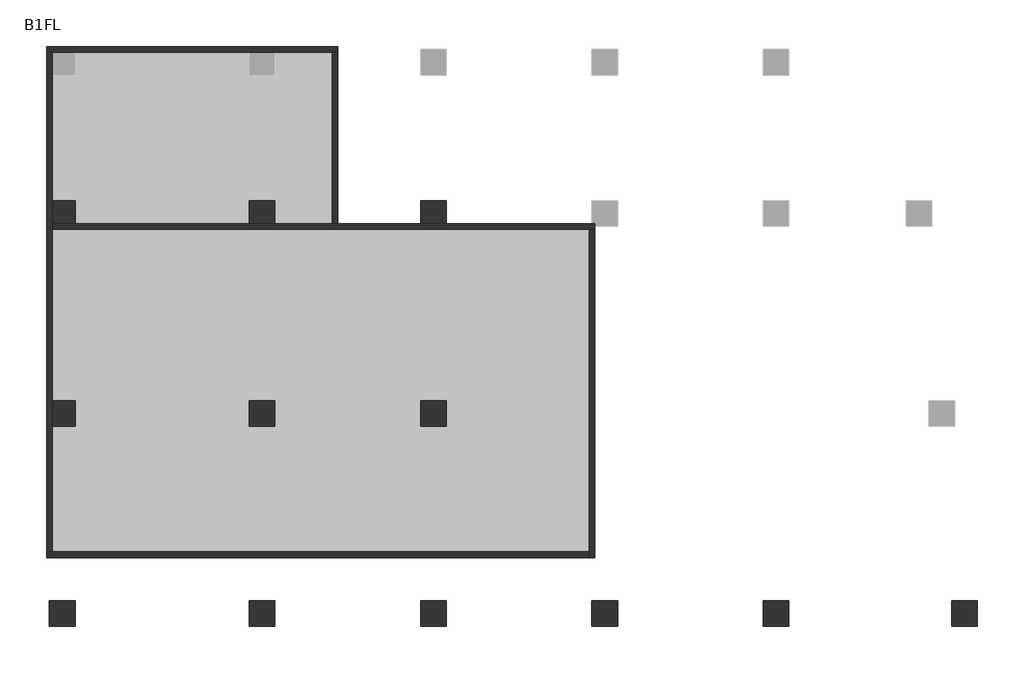
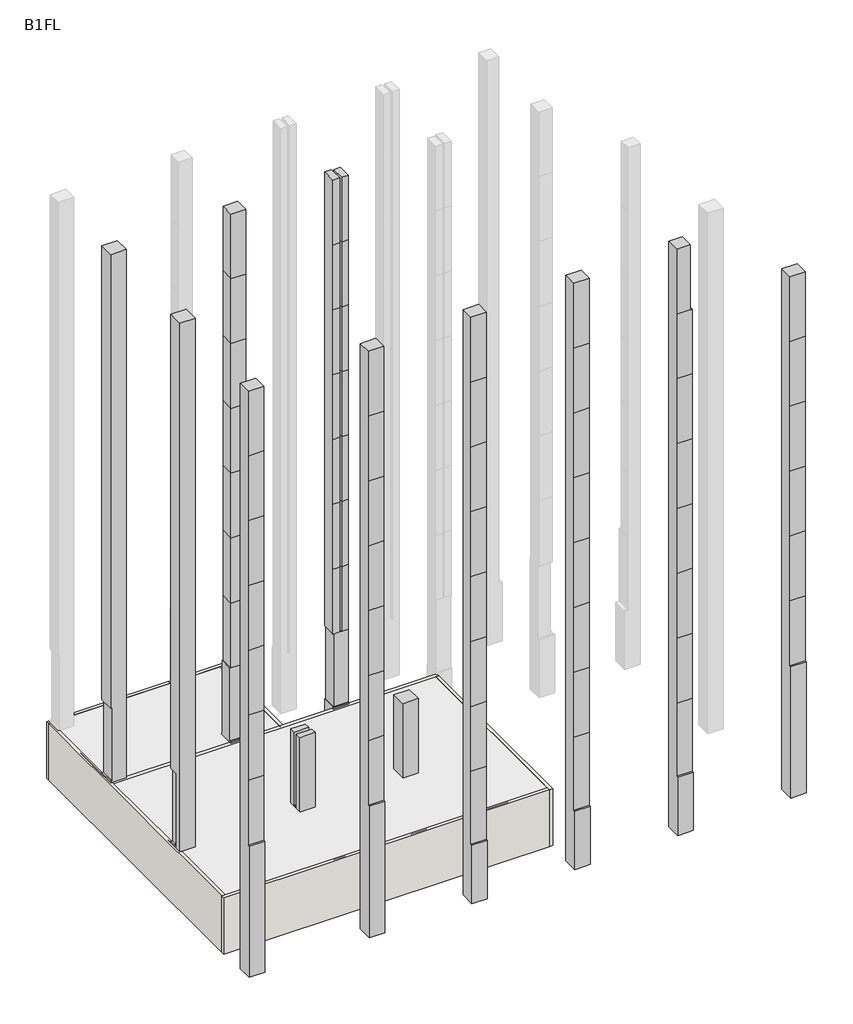
# One storey, part 1 of 2: 12 columns, 6 walls.
"""IFC4 building model written with IfcOpenShell, lengths in millimetres."""

from ifc_helpers import new_model, si_unit, frame, origin, place, context, project, spatial, polyline, outline, extrude, faceted_brep, element, save

model = new_model("IFC4")

# Units and contexts
model_context = context("Model", 3, world=origin())
ifc_project = project(units=[si_unit("LENGTHUNIT", "METRE", prefix="MILLI")], contexts=[model_context])

# Site, building, storey
site = spatial("IfcSite", under=ifc_project)
building = spatial("IfcBuilding", under=site)
storey = spatial("IfcBuildingStorey", under=building, Name="B1FL", Elevation=-3500.0)

# Columns
placement = place(None, origin())
element("IfcColumn", 1, ObjectType="900x900", at=placement, inside=storey, context=model_context, shape_type="Brep", body=[
    faceted_brep([(-27945.9784025, 10449.6868987, 32600.0), (-27945.9784025, 11349.6868987, 32600.0), (-28845.9784025, 11349.6868987, 32600.0), (-28845.9784025, 10449.6868987, 32600.0), (-28745.9784025, 11349.6868987, -3500.0), (-27945.9784025, 11349.6868987, -3500.0), (-27945.9784025, 10549.6868987, -3500.0), (-28745.9784025, 10549.6868987, -3500.0), (-27945.9784025, 10449.6868987, 0.0), (-27945.9784025, 10549.6868987, 0.0), (-27945.9784025, 11349.6868987, 100.0), (-27945.9784025, 11299.6868987, 100.0), (-27945.9784025, 11299.6868987, 4600.0), (-27945.9784025, 11349.6868987, 4600.0), (-28745.9784025, 11349.6868987, 4600.0), (-28845.9784025, 11349.6868987, 4600.0), (-28845.9784025, 10449.6868987, 4600.0), (-28745.9784025, 10449.6868987, 4600.0), (-28745.9784025, 10449.6868987, 100.0), (-28845.9784025, 10449.6868987, 100.0), (-28845.9784025, 10449.6868987, 0.0), (-28745.9784025, 10449.6868987, 0.0), (-28745.9784025, 11299.6868987, 4600.0), (-28745.9784025, 11299.6868987, 100.0), (-28745.9784025, 11349.6868987, 100.0), (-28845.9784025, 11349.6868987, 100.0), (-28845.9784025, 11349.6868987, 0.0), (-28845.9784025, 10549.6868987, 0.0), (-28745.9784025, 11349.6868987, 0.0), (-28745.9784025, 10549.6868987, 0.0)], [[[0, 1, 2, 3]], [[4, 5, 6, 7]], [[1, 0, 8, 9, 6, 5, 10, 11, 12, 13]], [[2, 1, 13, 14, 15]], [[3, 2, 15, 16]], [[0, 3, 16, 17, 18, 19, 20, 21, 8]], [[18, 17, 22, 23]], [[24, 25, 19, 18, 23]], [[15, 14, 22, 17, 16]], [[19, 25, 26, 27, 20]], [[11, 23, 22, 12]], [[23, 11, 10, 24]], [[12, 22, 14, 13]], [[25, 24, 10, 5, 4, 28, 26]], [[28, 4, 7, 29]], [[21, 20, 27, 26, 28, 29]], [[9, 29, 7, 6]], [[29, 9, 8, 21]]]),
])
element("IfcColumn", 2, ObjectType="900x900", at=placement, inside=storey, context=model_context, shape_type="Brep", body=[
    faceted_brep([(-27945.9784025, 3449.6868987, 32600.0), (-27945.9784025, 4349.6868987, 32600.0), (-28845.9784025, 4349.6868987, 32600.0), (-28845.9784025, 3449.6868987, 32600.0), (-27945.9784025, 4349.6868987, -3500.0), (-27945.9784025, 3449.6868987, -3500.0), (-28745.9784025, 3449.6868987, -3500.0), (-28745.9784025, 4349.6868987, -3500.0), (-27945.9784025, 3999.6868987, 4600.0), (-27945.9784025, 3999.6868987, 100.0), (-27945.9784025, 3799.6868987, 100.0), (-27945.9784025, 3799.6868987, 4600.0), (-28745.9784025, 4349.6868987, 0.0), (-28845.9784025, 4349.6868987, 0.0), (-28845.9784025, 4349.6868987, 100.0), (-28745.9784025, 4349.6868987, 100.0), (-28745.9784025, 4349.6868987, 4600.0), (-28845.9784025, 4349.6868987, 4600.0), (-28845.9784025, 3999.6868987, 4600.0), (-28845.9784025, 3799.6868987, 4600.0), (-28845.9784025, 3799.6868987, 100.0), (-28845.9784025, 3999.6868987, 100.0), (-28845.9784025, 3449.6868987, 0.0), (-28745.9784025, 3449.6868987, 0.0), (-28745.9784025, 3999.6868987, 4600.0), (-28745.9784025, 3999.6868987, 100.0)], [[[0, 1, 2, 3]], [[4, 5, 6, 7]], [[1, 0, 5, 4], [8, 9, 10, 11]], [[2, 1, 4, 7, 12, 13, 14, 15, 16, 17]], [[3, 2, 17, 18, 19, 20, 21, 14, 13, 22]], [[0, 3, 22, 23, 6, 5]], [[9, 8, 24, 25]], [[11, 10, 20, 19]], [[10, 9, 25, 21, 20]], [[8, 11, 19, 18, 24]], [[24, 16, 15, 25]], [[25, 15, 14, 21]], [[16, 24, 18, 17]], [[23, 12, 7, 6]], [[12, 23, 22, 13]]]),
])
element("IfcColumn", 3, ObjectType="900x900", at=placement, inside=storey, context=model_context, shape_type="SweptSolid", body=[
    extrude(outline(polyline([(-2650.3131013, -3500.0), (-3550.3131013, -3500.0), (-3550.3131013, 4600.0), (-3450.3131013, 4600.0), (-3450.3131013, 8600.0), (-3450.3131013, 12600.0), (-3450.3131013, 16600.0), (-3450.3131013, 20600.0), (-3450.3131013, 24600.0), (-3450.3131013, 28600.0), (-3450.3131013, 32600.0), (-2650.3131013, 32600.0), (-2650.3131013, -3500.0)])), frame((-28845.9784025, 0.0, 0.0), z_axis=(1.0, 0.0, 0.0), x_axis=(0.0, 1.0, 0.0)), (0.0, 0.0, 1.0), 900.0),
])
element("IfcColumn", 4, ObjectType="900x900", at=placement, inside=storey, context=model_context, shape_type="Brep", body=[
    faceted_brep([(-21795.9784025, 11299.6868987, 32600.0), (-21795.9784025, 10499.6868987, 32600.0), (-20945.9784025, 10499.6868987, 32600.0), (-20945.9784025, 11299.6868987, 32600.0), (-21845.9784025, 11349.6868987, -3500.0), (-20945.9784025, 11349.6868987, -3500.0), (-20945.9784025, 10549.6868987, -3500.0), (-21845.9784025, 10549.6868987, -3500.0), (-20945.9784025, 10499.6868987, 12600.0), (-20945.9784025, 10499.6868987, 8600.0), (-20945.9784025, 10499.6868987, 4600.0), (-20945.9784025, 10524.6868987, 4600.0), (-20945.9784025, 11299.6868987, 4600.0), (-20945.9784025, 11299.6868987, 8600.0), (-20945.9784025, 11299.6868987, 12600.0), (-20945.9784025, 11299.6868987, 16600.0), (-20945.9784025, 11299.6868987, 20600.0), (-20945.9784025, 11299.6868987, 24600.0), (-20945.9784025, 11299.6868987, 28600.0), (-20945.9784025, 10499.6868987, 28600.0), (-20945.9784025, 10499.6868987, 24600.0), (-20945.9784025, 10499.6868987, 20600.0), (-20945.9784025, 10499.6868987, 16600.0), (-21795.9784025, 10499.6868987, 12600.0), (-21795.9784025, 10499.6868987, 8600.0), (-20945.9784025, 10449.6868987, 100.0), (-21845.9784025, 10449.6868987, 100.0), (-21845.9784025, 10449.6868987, 0.0), (-20945.9784025, 10449.6868987, 0.0), (-21795.9784025, 11299.6868987, 12600.0), (-21795.9784025, 11299.6868987, 8600.0), (-21845.9784025, 10524.6868987, 100.0), (-21845.9784025, 10524.6868987, 4600.0), (-21845.9784025, 11299.6868987, 4600.0), (-21845.9784025, 11299.6868987, 100.0), (-21845.9784025, 11349.6868987, 100.0), (-21845.9784025, 10549.6868987, 0.0), (-20945.9784025, 11349.6868987, 100.0), (-21795.9784025, 10499.6868987, 4600.0), (-21795.9784025, 11299.6868987, 4600.0), (-21795.9784025, 10524.6868987, 4600.0), (-20995.9784025, 11299.6868987, 4600.0), (-21795.9784025, 10499.6868987, 16600.0), (-21795.9784025, 11299.6868987, 16600.0), (-21795.9784025, 10499.6868987, 20600.0), (-21795.9784025, 11299.6868987, 20600.0), (-21795.9784025, 10499.6868987, 24600.0), (-21795.9784025, 11299.6868987, 24600.0), (-21795.9784025, 10499.6868987, 28600.0), (-21795.9784025, 11299.6868987, 28600.0), (-20995.9784025, 10524.6868987, 100.0), (-20995.9784025, 10524.6868987, 4600.0), (-20945.9784025, 10524.6868987, 100.0), (-20995.9784025, 11299.6868987, 100.0), (-20945.9784025, 11299.6868987, 100.0), (-20945.9784025, 10549.6868987, 0.0)], [[[0, 1, 2, 3]], [[4, 5, 6, 7]], [[8, 9, 10, 11, 12, 13, 14, 15, 16, 17, 18, 3, 2, 19, 20, 21, 22]], [[9, 8, 23, 24]], [[25, 26, 27, 28]], [[24, 23, 29, 30]], [[31, 32, 33, 34, 35, 4, 7, 36, 27, 26]], [[14, 13, 30, 29]], [[5, 4, 35, 37]], [[10, 9, 24, 38]], [[24, 30, 39, 40, 38]], [[40, 39, 33, 32]], [[13, 12, 41, 39, 30]], [[8, 22, 42, 23]], [[29, 23, 42, 43]], [[15, 14, 29, 43]], [[22, 21, 44, 42]], [[43, 42, 44, 45]], [[16, 15, 43, 45]], [[21, 20, 46, 44]], [[45, 44, 46, 47]], [[17, 16, 45, 47]], [[20, 19, 48, 46]], [[47, 46, 48, 49]], [[18, 17, 47, 49]], [[49, 48, 1, 0]], [[0, 3, 18, 49]], [[2, 1, 48, 19]], [[32, 31, 50, 51, 40]], [[25, 52, 50, 31, 26]], [[11, 10, 38, 40, 51]], [[34, 33, 39, 41, 53]], [[54, 37, 35, 34, 53]], [[50, 53, 41, 51]], [[53, 50, 52, 54]], [[51, 41, 12, 11]], [[52, 25, 28, 55, 6, 5, 37, 54]], [[55, 36, 7, 6]], [[36, 55, 28, 27]]]),
])
element("IfcColumn", 5, ObjectType="900x900", at=placement, inside=storey, context=model_context, shape_type="Brep", body=[
    faceted_brep([(-21845.9784025, 3449.6868987, 4600.0), (-20945.9784025, 3449.6868987, 4600.0), (-20945.9784025, 3799.6868987, 4600.0), (-21845.9784025, 3799.6868987, 4600.0), (-20945.9784025, 3449.6868987, -3500.0), (-21845.9784025, 3449.6868987, -3500.0), (-21845.9784025, 4349.6868987, -3500.0), (-20945.9784025, 4349.6868987, -3500.0), (-20945.9784025, 4349.6868987, 100.0), (-20945.9784025, 3999.6868987, 100.0), (-20945.9784025, 3799.6868987, 100.0), (-21845.9784025, 4349.6868987, 4600.0), (-21020.9784025, 4349.6868987, 4600.0), (-21020.9784025, 4349.6868987, 100.0), (-21845.9784025, 3799.6868987, 100.0), (-21845.9784025, 3999.6868987, 100.0), (-21845.9784025, 3999.6868987, 4600.0), (-21020.9784025, 3999.6868987, 100.0), (-21020.9784025, 3999.6868987, 4600.0)], [[[0, 1, 2, 3]], [[4, 5, 6, 7]], [[4, 7, 8, 9, 10, 2, 1]], [[7, 6, 11, 12, 13, 8]], [[6, 5, 0, 3, 14, 15, 16, 11]], [[1, 0, 5, 4]], [[16, 15, 17, 18]], [[3, 2, 10, 14]], [[10, 9, 17, 15, 14]], [[11, 16, 18, 12]], [[17, 13, 12, 18]], [[13, 17, 9, 8]]]),
])
element("IfcColumn", 6, ObjectType="900x900", at=placement, inside=storey, context=model_context, shape_type="SweptSolid", body=[
    extrude(outline(polyline([(-2650.3131013, -3500.0), (-3550.3131013, -3500.0), (-3550.3131013, 4600.0), (-3450.3131013, 4600.0), (-3450.3131013, 8600.0), (-3450.3131013, 12600.0), (-3450.3131013, 16600.0), (-3450.3131013, 20600.0), (-3450.3131013, 24600.0), (-3450.3131013, 28600.0), (-3450.3131013, 32600.0), (-2650.3131013, 32600.0), (-2650.3131013, -3500.0)])), frame((-21845.9784025, 0.0, 0.0), z_axis=(1.0, 0.0, 0.0), x_axis=(0.0, 1.0, 0.0)), (0.0, 0.0, 1.0), 900.0),
])
element("IfcColumn", 7, ObjectType="900x900", at=placement, inside=storey, context=model_context, shape_type="Brep", body=[
    faceted_brep([(-15345.9784025, 11299.6868987, 32600.0), (-15345.9784025, 10499.6868987, 32600.0), (-14945.9784025, 10499.6868987, 32600.0), (-14945.9784025, 11299.6868987, 32600.0), (-15845.9784025, 11349.6868987, -3500.0), (-14945.9784025, 11349.6868987, -3500.0), (-14945.9784025, 10549.6868987, -3500.0), (-15845.9784025, 10549.6868987, -3500.0), (-14945.9784025, 10499.6868987, 12600.0), (-14945.9784025, 10499.6868987, 8600.0), (-14945.9784025, 10499.6868987, 4600.0), (-14945.9784025, 10524.6868987, 4600.0), (-14945.9784025, 10524.6868987, 100.0), (-14945.9784025, 10449.6868987, 100.0), (-14945.9784025, 10449.6868987, 0.0), (-14945.9784025, 10549.6868987, 0.0), (-14945.9784025, 11349.6868987, 100.0), (-14945.9784025, 11299.6868987, 100.0), (-14945.9784025, 11299.6868987, 4600.0), (-14945.9784025, 11299.6868987, 8600.0), (-14945.9784025, 11299.6868987, 12600.0), (-14945.9784025, 11299.6868987, 16600.0), (-14945.9784025, 11299.6868987, 20600.0), (-14945.9784025, 11299.6868987, 24600.0), (-14945.9784025, 11299.6868987, 28600.0), (-14945.9784025, 10499.6868987, 28600.0), (-14945.9784025, 10499.6868987, 24600.0), (-14945.9784025, 10499.6868987, 20600.0), (-14945.9784025, 10499.6868987, 16600.0), (-15845.9784025, 10499.6868987, 8600.0), (-15845.9784025, 10499.6868987, 12600.0), (-15845.9784025, 10499.6868987, 16600.0), (-15845.9784025, 10499.6868987, 20600.0), (-15845.9784025, 10499.6868987, 24600.0), (-15845.9784025, 10499.6868987, 28600.0), (-15845.9784025, 10499.6868987, 32600.0), (-15845.9784025, 11349.6868987, 32600.0), (-15845.9784025, 11349.6868987, 4600.0), (-15845.9784025, 11299.6868987, 4600.0), (-15845.9784025, 10524.6868987, 4600.0), (-15845.9784025, 10499.6868987, 4600.0), (-15345.9784025, 10499.6868987, 12600.0), (-15345.9784025, 10499.6868987, 8600.0), (-15845.9784025, 10449.6868987, 100.0), (-15845.9784025, 10449.6868987, 0.0), (-15345.9784025, 11299.6868987, 12600.0), (-15345.9784025, 11299.6868987, 8600.0), (-15445.9784025, 11349.6868987, 8600.0), (-15445.9784025, 11349.6868987, 12600.0), (-15445.9784025, 10499.6868987, 12600.0), (-15445.9784025, 10499.6868987, 8600.0), (-15345.9784025, 10499.6868987, 4600.0), (-15345.9784025, 11299.6868987, 4600.0), (-15345.9784025, 10524.6868987, 4600.0), (-15445.9784025, 11349.6868987, 4600.0), (-15445.9784025, 10499.6868987, 4600.0), (-15445.9784025, 10524.6868987, 4600.0), (-15445.9784025, 11299.6868987, 4600.0), (-15345.9784025, 10499.6868987, 16600.0), (-15345.9784025, 11299.6868987, 16600.0), (-15445.9784025, 11349.6868987, 16600.0), (-15445.9784025, 10499.6868987, 16600.0), (-15345.9784025, 10499.6868987, 20600.0), (-15345.9784025, 11299.6868987, 20600.0), (-15445.9784025, 11349.6868987, 20600.0), (-15445.9784025, 10499.6868987, 20600.0), (-15345.9784025, 10499.6868987, 24600.0), (-15345.9784025, 11299.6868987, 24600.0), (-15445.9784025, 11349.6868987, 24600.0), (-15445.9784025, 10499.6868987, 24600.0), (-15345.9784025, 10499.6868987, 28600.0), (-15345.9784025, 11299.6868987, 28600.0), (-15445.9784025, 11349.6868987, 28600.0), (-15445.9784025, 10499.6868987, 28600.0), (-15445.9784025, 11349.6868987, 32600.0), (-15445.9784025, 10499.6868987, 32600.0), (-15795.9784025, 10524.6868987, 4600.0), (-15795.9784025, 10524.6868987, 100.0), (-15845.9784025, 10524.6868987, 100.0), (-15795.9784025, 11299.6868987, 4600.0), (-15795.9784025, 11299.6868987, 100.0), (-15845.9784025, 11299.6868987, 100.0), (-15845.9784025, 11349.6868987, 100.0), (-15845.9784025, 10549.6868987, 0.0)], [[[0, 1, 2, 3]], [[4, 5, 6, 7]], [[8, 9, 10, 11, 12, 13, 14, 15, 6, 5, 16, 17, 18, 19, 20, 21, 22, 23, 24, 3, 2, 25, 26, 27, 28]], [[29, 30, 31, 32, 33, 34, 35, 36, 37, 38, 39, 40]], [[9, 8, 41, 42]], [[13, 43, 44, 14]], [[42, 41, 45, 46]], [[47, 48, 49, 50]], [[30, 29, 50, 49]], [[20, 19, 46, 45]], [[10, 9, 42, 51]], [[42, 46, 52, 53, 51]], [[54, 47, 50, 55, 56, 57]], [[53, 52, 57, 56]], [[29, 40, 55, 50]], [[19, 18, 52, 46]], [[8, 28, 58, 41]], [[45, 41, 58, 59]], [[48, 60, 61, 49]], [[31, 30, 49, 61]], [[21, 20, 45, 59]], [[28, 27, 62, 58]], [[59, 58, 62, 63]], [[60, 64, 65, 61]], [[32, 31, 61, 65]], [[22, 21, 59, 63]], [[27, 26, 66, 62]], [[63, 62, 66, 67]], [[64, 68, 69, 65]], [[33, 32, 65, 69]], [[23, 22, 63, 67]], [[26, 25, 70, 66]], [[67, 66, 70, 71]], [[68, 72, 73, 69]], [[34, 33, 69, 73]], [[24, 23, 67, 71]], [[71, 70, 1, 0]], [[74, 75, 73, 72]], [[48, 47, 54, 37, 36, 74, 72, 68, 64, 60]], [[0, 3, 24, 71]], [[2, 1, 70, 25]], [[74, 36, 35, 75]], [[75, 35, 34, 73]], [[11, 53, 56, 76, 77, 12]], [[13, 12, 77, 78, 43]], [[40, 39, 76, 56, 55]], [[53, 11, 10, 51]], [[76, 79, 80, 77]], [[77, 80, 81, 78]], [[79, 76, 39, 38]], [[79, 57, 52, 18, 17, 80]], [[80, 17, 16, 82, 81]], [[57, 79, 38, 37, 54]], [[43, 78, 81, 82, 4, 7, 83, 44]], [[5, 4, 82, 16]], [[15, 83, 7, 6]], [[83, 15, 14, 44]]]),
])
element("IfcColumn", 8, ObjectType="900x900", at=placement, inside=storey, context=model_context, shape_type="SweptSolid", body=[
    extrude(outline(polyline([(-14945.9784025, 3449.6868987), (-15845.9784025, 3449.6868987), (-15845.9784025, 4349.6868987), (-14945.9784025, 4349.6868987), (-14945.9784025, 3449.6868987)])), frame((0.0, 0.0, -3500.0), z_axis=(0.0, 0.0, 1.0), x_axis=(1.0, 0.0, 0.0)), (0.0, 0.0, 1.0), 8100.0),
])
element("IfcColumn", 9, ObjectType="900x900", at=placement, inside=storey, context=model_context, shape_type="SweptSolid", body=[
    extrude(outline(polyline([(-2650.3131013, -3500.0), (-3550.3131013, -3500.0), (-3550.3131013, 100.0), (-3450.3131013, 100.0), (-3450.3131013, 4600.0), (-3450.3131013, 8600.0), (-3450.3131013, 12600.0), (-3450.3131013, 16600.0), (-3450.3131013, 20600.0), (-3450.3131013, 24600.0), (-3450.3131013, 28600.0), (-3450.3131013, 32600.0), (-2650.3131013, 32600.0), (-2650.3131013, -3500.0)])), frame((-15845.9784025, 0.0, 0.0), z_axis=(1.0, 0.0, 0.0), x_axis=(0.0, 1.0, 0.0)), (0.0, 0.0, 1.0), 900.0),
])
element("IfcColumn", 10, ObjectType="900x900", at=placement, inside=storey, context=model_context, shape_type="SweptSolid", body=[
    extrude(outline(polyline([(-2650.3131013, -3500.0), (-3550.3131013, -3500.0), (-3550.3131013, 100.0), (-3450.3131013, 100.0), (-3450.3131013, 4600.0), (-3450.3131013, 8600.0), (-3450.3131013, 12600.0), (-3450.3131013, 16600.0), (-3450.3131013, 20600.0), (-3450.3131013, 24600.0), (-3450.3131013, 28600.0), (-3450.3131013, 32600.0), (-2650.3131013, 32600.0), (-2650.3131013, -3500.0)])), frame((-9845.9784025, 0.0, 0.0), z_axis=(1.0, 0.0, 0.0), x_axis=(0.0, 1.0, 0.0)), (0.0, 0.0, 1.0), 900.0),
])
element("IfcColumn", 11, ObjectType="900x900", at=placement, inside=storey, context=model_context, shape_type="Brep", body=[
    faceted_brep([(-3845.9784025, -2650.3131013, 32600.0), (-3845.9784025, -3450.3131013, 32600.0), (-3045.9784025, -3450.3131013, 32600.0), (-3045.9784025, -2650.3131013, 32600.0), (-2945.9784025, -3550.3131013, -3500.0), (-3845.9784025, -3550.3131013, -3500.0), (-3845.9784025, -2650.3131013, -3500.0), (-2945.9784025, -2650.3131013, -3500.0), (-2945.9784025, -2650.3131013, 28600.0), (-2945.9784025, -3450.3131013, 28600.0), (-2945.9784025, -3450.3131013, 24600.0), (-2945.9784025, -3450.3131013, 20600.0), (-2945.9784025, -3450.3131013, 16600.0), (-2945.9784025, -3450.3131013, 12600.0), (-2945.9784025, -3450.3131013, 8600.0), (-2945.9784025, -3450.3131013, 4600.0), (-2945.9784025, -3450.3131013, 100.0), (-2945.9784025, -3550.3131013, 100.0), (-3045.9784025, -2650.3131013, 28600.0), (-3845.9784025, -3550.3131013, 100.0), (-3845.9784025, -3450.3131013, 100.0), (-3845.9784025, -3450.3131013, 4600.0), (-3845.9784025, -3450.3131013, 8600.0), (-3845.9784025, -3450.3131013, 12600.0), (-3845.9784025, -3450.3131013, 16600.0), (-3845.9784025, -3450.3131013, 20600.0), (-3845.9784025, -3450.3131013, 24600.0), (-3845.9784025, -3450.3131013, 28600.0), (-3045.9784025, -3450.3131013, 28600.0)], [[[0, 1, 2, 3]], [[4, 5, 6, 7]], [[4, 7, 8, 9, 10, 11, 12, 13, 14, 15, 16, 17]], [[7, 6, 0, 3, 18, 8]], [[6, 5, 19, 20, 21, 22, 23, 24, 25, 26, 27, 1, 0]], [[14, 13, 23, 22]], [[5, 4, 17, 19]], [[15, 14, 22, 21]], [[13, 12, 24, 23]], [[12, 11, 25, 24]], [[11, 10, 26, 25]], [[10, 9, 28, 27, 26]], [[1, 27, 28, 2]], [[3, 2, 28, 18]], [[9, 8, 18, 28]], [[20, 16, 15, 21]], [[16, 20, 19, 17]]]),
])
element("IfcColumn", 12, ObjectType="900x900", at=placement, inside=storey, context=model_context, shape_type="SweptSolid", body=[
    extrude(outline(polyline([(-2650.3131013, -3500.0), (-3550.3131013, -3500.0), (-3550.3131013, 4600.0), (-3450.3131013, 4600.0), (-3450.3131013, 8600.0), (-3450.3131013, 12600.0), (-3450.3131013, 16600.0), (-3450.3131013, 20600.0), (-3450.3131013, 24600.0), (-3450.3131013, 28600.0), (-2650.3131013, 28600.0), (-2650.3131013, -3500.0)])), frame((2754.0215975, 0.0, 0.0), z_axis=(1.0, 0.0, 0.0), x_axis=(0.0, 1.0, 0.0)), (0.0, 0.0, 1.0), 900.0),
])

# Walls
element("IfcWall", 13, at=placement, inside=storey, context=model_context, shape_type="Brep", body=[
    faceted_brep([(-28945.9784025, 16549.6868987, -3500.0), (-28745.9784025, 16549.6868987, -3500.0), (-27945.9784025, 16549.6868987, -3500.0), (-21845.9784025, 16549.6868987, -3500.0), (-20945.9784025, 16549.6868987, -3500.0), (-18945.9784025, 16549.6868987, -3500.0), (-18745.9784025, 16549.6868987, -3500.0), (-18745.9784025, 16549.6868987, 0.0), (-18945.9784025, 16549.6868987, 0.0), (-20945.9784025, 16549.6868987, 0.0), (-21845.9784025, 16549.6868987, 0.0), (-27945.9784025, 16549.6868987, 0.0), (-28745.9784025, 16549.6868987, 0.0), (-28945.9784025, 16549.6868987, 0.0), (-28945.9784025, 16749.6868987, -3500.0), (-28945.9784025, 16749.6868987, 0.0), (-18745.9784025, 16749.6868987, 0.0), (-18745.9784025, 16749.6868987, -3500.0)], [[[0, 1, 2, 3, 4, 5, 6, 7, 8, 9, 10, 11, 12, 13]], [[14, 15, 16, 17]], [[6, 5, 4, 3, 2, 1, 0, 14, 17]], [[13, 12, 11, 10, 9, 8, 7, 16, 15]], [[7, 6, 17, 16]], [[0, 13, 15, 14]]]),
])
element("IfcWall", 14, at=placement, inside=storey, context=model_context, shape_type="SweptSolid", body=[
    extrude(outline(polyline([(-18945.9784025, 10449.6868987), (-18945.9784025, 16549.6868987), (-18745.9784025, 16549.6868987), (-18745.9784025, 10449.6868987), (-18945.9784025, 10449.6868987)])), frame((0.0, 0.0, -3500.0), z_axis=(0.0, 0.0, 1.0), x_axis=(1.0, 0.0, 0.0)), (0.0, 0.0, 1.0), 3500.0),
])
element("IfcWall", 15, at=placement, inside=storey, context=model_context, shape_type="Brep", body=[
    faceted_brep([(-28845.9784025, 10349.6868987, -3500.0), (-9945.9784025, 10349.6868987, -3500.0), (-9745.9784025, 10349.6868987, -3500.0), (-9745.9784025, 10349.6868987, 0.0), (-9945.9784025, 10349.6868987, 0.0), (-28845.9784025, 10349.6868987, 0.0), (-28845.9784025, 10549.6868987, -3500.0), (-28845.9784025, 10549.6868987, 0.0), (-28745.9784025, 10549.6868987, 0.0), (-27945.9784025, 10549.6868987, 0.0), (-21845.9784025, 10549.6868987, 0.0), (-20945.9784025, 10549.6868987, 0.0), (-15845.9784025, 10549.6868987, 0.0), (-14945.9784025, 10549.6868987, 0.0), (-9845.9784025, 10549.6868987, 0.0), (-9745.9784025, 10549.6868987, 0.0), (-9745.9784025, 10549.6868987, -3500.0), (-9845.9784025, 10549.6868987, -3500.0), (-14945.9784025, 10549.6868987, -3500.0), (-15845.9784025, 10549.6868987, -3500.0), (-20945.9784025, 10549.6868987, -3500.0), (-21845.9784025, 10549.6868987, -3500.0), (-27945.9784025, 10549.6868987, -3500.0), (-28745.9784025, 10549.6868987, -3500.0), (-9745.9784025, 10449.6868987, -3500.0), (-9745.9784025, 10449.6868987, 0.0), (-28845.9784025, 10449.6868987, 0.0)], [[[0, 1, 2, 3, 4, 5]], [[6, 7, 8, 9, 10, 11, 12, 13, 14, 15, 16, 17, 18, 19, 20, 21, 22, 23]], [[2, 1, 0, 6, 23, 22, 21, 20, 19, 18, 17, 16, 24]], [[5, 4, 3, 25, 15, 14, 13, 12, 11, 10, 9, 8, 7, 26]], [[0, 5, 26, 7, 6]], [[3, 2, 24, 16, 15, 25]]]),
])
element("IfcWall", 16, at=placement, inside=storey, context=model_context, shape_type="Brep", body=[
    faceted_brep([(-9945.9784025, 10349.6868987, -3500.0), (-9945.9784025, -950.3131013, -3500.0), (-9945.9784025, -1150.3131013, -3500.0), (-9945.9784025, -1150.3131013, 0.0), (-9945.9784025, -950.3131013, 0.0), (-9945.9784025, 10349.6868987, 0.0), (-9745.9784025, 10349.6868987, -3500.0), (-9745.9784025, 10349.6868987, 0.0), (-9745.9784025, -1150.3131013, 0.0), (-9745.9784025, -1150.3131013, -3500.0)], [[[0, 1, 2, 3, 4, 5]], [[6, 7, 8, 9]], [[2, 1, 0, 6, 9]], [[5, 4, 3, 8, 7]], [[0, 5, 7, 6]], [[3, 2, 9, 8]]]),
])
element("IfcWall", 17, at=placement, inside=storey, context=model_context, shape_type="Brep", body=[
    faceted_brep([(-9945.9784025, -950.3131013, -3500.0), (-28745.9784025, -950.3131013, -3500.0), (-28945.9784025, -950.3131013, -3500.0), (-28945.9784025, -950.3131013, 0.0), (-28745.9784025, -950.3131013, 0.0), (-9945.9784025, -950.3131013, 0.0), (-9945.9784025, -1150.3131013, -3500.0), (-9945.9784025, -1150.3131013, 0.0), (-28945.9784025, -1150.3131013, 0.0), (-28945.9784025, -1150.3131013, -3500.0)], [[[0, 1, 2, 3, 4, 5]], [[6, 7, 8, 9]], [[2, 1, 0, 6, 9]], [[5, 4, 3, 8, 7]], [[0, 5, 7, 6]], [[3, 2, 9, 8]]]),
])
element("IfcWall", 18, at=placement, inside=storey, context=model_context, shape_type="Brep", body=[
    faceted_brep([(-28745.9784025, -950.3131013, -3500.0), (-28745.9784025, 3449.6868987, -3500.0), (-28745.9784025, 4349.6868987, -3500.0), (-28745.9784025, 10549.6868987, -3500.0), (-28745.9784025, 11349.6868987, -3500.0), (-28745.9784025, 15749.6868987, -3500.0), (-28745.9784025, 16549.6868987, -3500.0), (-28745.9784025, 16549.6868987, 0.0), (-28745.9784025, 15749.6868987, 0.0), (-28745.9784025, 11349.6868987, 0.0), (-28745.9784025, 10549.6868987, 0.0), (-28745.9784025, 4349.6868987, 0.0), (-28745.9784025, 3449.6868987, 0.0), (-28745.9784025, -950.3131013, 0.0), (-28945.9784025, -950.3131013, -3500.0), (-28945.9784025, -950.3131013, 0.0), (-28945.9784025, 16549.6868987, 0.0), (-28945.9784025, 16549.6868987, -3500.0)], [[[0, 1, 2, 3, 4, 5, 6, 7, 8, 9, 10, 11, 12, 13]], [[14, 15, 16, 17]], [[6, 5, 4, 3, 2, 1, 0, 14, 17]], [[13, 12, 11, 10, 9, 8, 7, 16, 15]], [[7, 6, 17, 16]], [[0, 13, 15, 14]]]),
])

save(model, "model.ifc")
